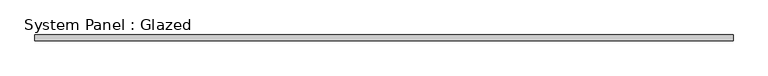
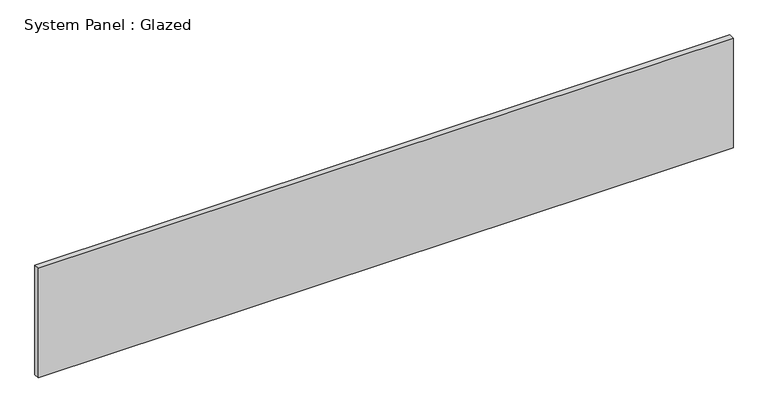
"""IFC4 building model written with IfcOpenShell, lengths in millimetres: plate geometry, System Panel : Glazed."""

from ifc_helpers import new_model, si_unit, origin, origin_with_axes, place, context, project, spatial, polyline, outline, extrude, source, transform, mapped, element, save


def system_panel_glazed_22fdcfb9(model_context):
    return source(origin(), model_context, "Body", "SweptSolid", [
        extrude(outline(polyline([(1500.0, -49.5), (-1500.0, -49.5), (-1500.0, -24.5), (1500.0, -24.5), (1500.0, -49.5)])), origin_with_axes(), (0.0, 0.0, 1.0), 500.0),
    ])


if __name__ == "__main__":
    model = new_model("IFC4")
    model_context = context("Model", 3, world=origin())
    ifc_project = project(units=[si_unit("LENGTHUNIT", "METRE", prefix="MILLI")], contexts=[model_context])
    site = spatial("IfcSite", under=ifc_project)
    building = spatial("IfcBuilding", under=site)
    placement = place(None, origin())
    system_panel_glazed_shape = system_panel_glazed_22fdcfb9(model_context)
    element("IfcPlate", 1, ObjectType="System Panel : Glazed", at=placement, inside=building, context=model_context, shape_type="MappedRepresentation", body=[
        mapped(system_panel_glazed_shape, transform((0.0, 0.0, 0.0), x_axis=(1.0, 0.0, 0.0), y_axis=(0.0, 1.0, 0.0), z_axis=(0.0, 0.0, 1.0))),
    ])
    save(model, "model.ifc")
